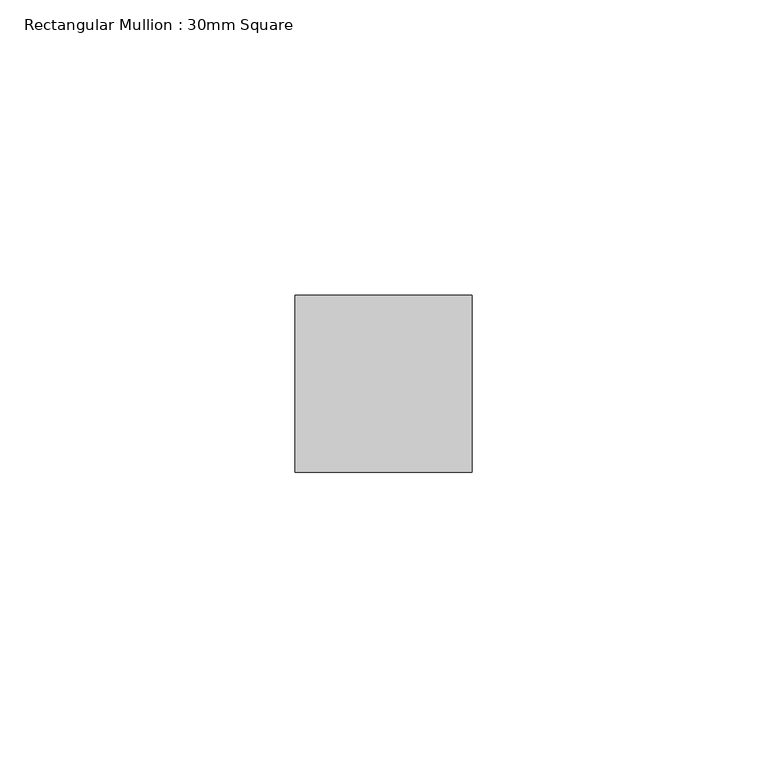
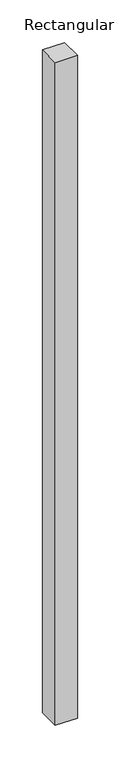
"""IFC4 building model written with IfcOpenShell, lengths in millimetres: member geometry, Rectangular Mullion : 30mm Square."""

from ifc_helpers import new_model, si_unit, frame, origin, place, context, project, spatial, polyline, outline, extrude, source, transform, mapped, element, save


def rectangular_mullion_30mm_square_7d6ce757(model_context):
    return source(origin(), model_context, "Body", "SweptSolid", [
        extrude(outline(polyline([(0.0, 15.0), (0.0, -15.0), (-30.0, -15.0), (-30.0, 15.0), (0.0, 15.0)])), frame((0.0, 0.0, -949.132638), z_axis=(0.0, 0.0, 1.0), x_axis=(1.0, 0.0, 0.0)), (0.0, 0.0, 1.0), 949.132638),
    ])


if __name__ == "__main__":
    model = new_model("IFC4")
    model_context = context("Model", 3, world=origin())
    ifc_project = project(units=[si_unit("LENGTHUNIT", "METRE", prefix="MILLI")], contexts=[model_context])
    site = spatial("IfcSite", under=ifc_project)
    building = spatial("IfcBuilding", under=site)
    placement = place(None, origin())
    rectangular_mullion_30mm_square_shape = rectangular_mullion_30mm_square_7d6ce757(model_context)
    element("IfcMember", 1, ObjectType="Rectangular Mullion : 30mm Square", at=placement, inside=building, context=model_context, shape_type="MappedRepresentation", body=[
        mapped(rectangular_mullion_30mm_square_shape, transform((0.0, 0.0, 0.0), x_axis=(1.0, 0.0, 0.0), y_axis=(0.0, 1.0, 0.0), z_axis=(0.0, 0.0, 1.0))),
    ])
    save(model, "model.ifc")
